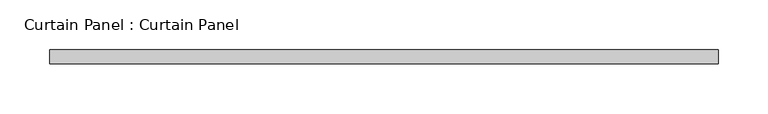
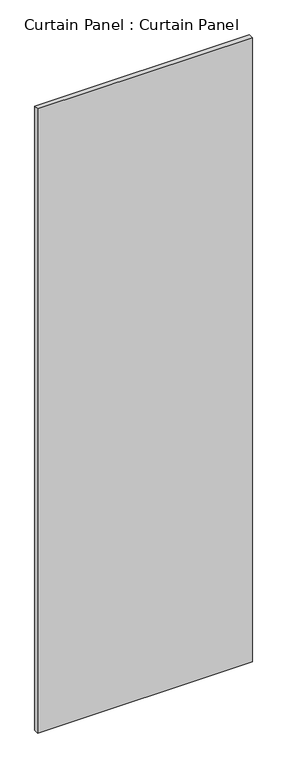
"""IFC4 building model written with IfcOpenShell, lengths in millimetres: plate geometry, Curtain Panel : Curtain Panel."""

from ifc_helpers import new_model, si_unit, frame, origin, place, context, project, spatial, polyline, outline, extrude, source, transform, mapped, element, save


def curtain_panel_curtain_panel_f4e382eb(model_context):
    return source(origin(), model_context, "Body", "SweptSolid", [
        extrude(outline(polyline([(-91540.0125449, 91972.2353995), (-92213.8808931, 91972.2353995), (-92213.8808931, 91986.5228995), (-91540.0125449, 91986.5228995), (-91540.0125449, 91972.2353995)])), frame((0.0, 0.0, 227.0252009), z_axis=(0.0, 0.0, 1.0), x_axis=(1.0, 0.0, 0.0)), (0.0, 0.0, 1.0), 2068.4870982),
    ])


if __name__ == "__main__":
    model = new_model("IFC4")
    model_context = context("Model", 3, world=origin())
    ifc_project = project(units=[si_unit("LENGTHUNIT", "METRE", prefix="MILLI")], contexts=[model_context])
    site = spatial("IfcSite", under=ifc_project)
    building = spatial("IfcBuilding", under=site)
    placement = place(None, origin())
    curtain_panel_curtain_panel_shape = curtain_panel_curtain_panel_f4e382eb(model_context)
    element("IfcPlate", 1, ObjectType="Curtain Panel : Curtain Panel", at=placement, inside=building, context=model_context, shape_type="MappedRepresentation", body=[
        mapped(curtain_panel_curtain_panel_shape, transform((0.0, 0.0, 0.0), x_axis=(1.0, 0.0, 0.0), y_axis=(0.0, 1.0, 0.0), z_axis=(0.0, 0.0, 1.0))),
    ])
    save(model, "model.ifc")
